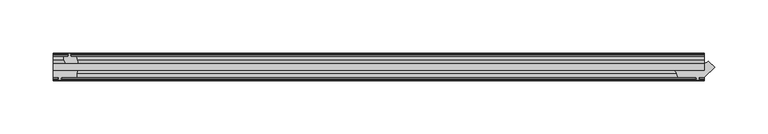
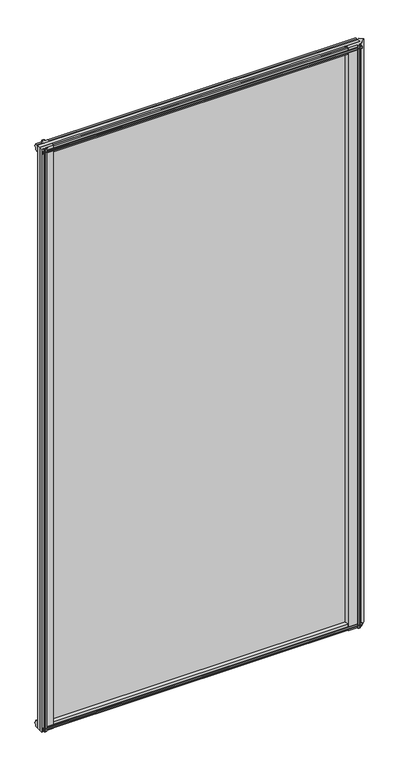
"""IFC4 building model written with IfcOpenShell, lengths in millimetres: plate geometry."""

from ifc_helpers import new_model, si_unit, point, frame, frame_2d, origin, place, context, project, spatial, polyline, circle_curve, trimmed, segment, composite_curve, outline, extrude, source, transform, mapped, element, save


def plate_9376add6(model_context):
    return source(origin(), model_context, "Body", "SweptSolid", [
        extrude(outline(polyline([(-311.15, -19.5460937), (301.7242188, -19.5460937), (301.7242188, -25.8960937), (-311.15, -25.8960937), (-311.15, -19.5460937)])), frame((0.0, 0.0, -12.7), z_axis=(0.0, 0.0, 1.0), x_axis=(1.0, 0.0, 0.0)), (0.0, 0.0, 1.0), 1181.1),
        extrude(outline(composite_curve([segment(trimmed(circle_curve(frame_2d((299.1576023, -10.7286961)), 9.1800971), [point((301.7125348, -19.5460938))], [point((305.6489112, -17.2200049))], True, "CARTESIAN"), True, "CONTINUOUS"), segment(polyline([(305.6489112, -17.2200049), (311.6947439, -23.2658376), (301.7125348, -32.2460938), (296.6325348, -32.2460938), (296.3150348, -34.3506957), (297.5336406, -34.0241712), (297.7374348, -34.7847412), (295.3625348, -35.4210938), (292.9876348, -34.7847412), (293.1914289, -34.0241712), (294.4100348, -34.3506957), (294.0925348, -32.2460938), (276.6935348, -32.2460937)]), True, "CONTINUOUS"), segment(trimmed(circle_curve(frame_2d((268.8651173, -32.4967335)), 7.8324288), [point((276.6935348, -32.2460937))], [point((273.0815726, -25.8960938))], True, "CARTESIAN"), True, "CONTINUOUS"), segment(polyline([(273.0815726, -25.8960938), (301.7125348, -25.8960938), (301.7125348, -19.5460938)]), True, "CONTINUOUS")], self_intersect=False)), frame((0.0, 0.0, -12.7), z_axis=(0.0, 0.0, 1.0), x_axis=(1.0, 0.0, 0.0)), (0.0, 0.0, 1.0), 1181.1),
        extrude(outline(composite_curve([segment(polyline([(-311.1542854, -32.2460937), (-311.1542854, -25.8960937), (-287.8322351, -25.8960937)]), True, "CONTINUOUS"), segment(trimmed(circle_curve(frame_2d((-280.043449, -30.5054843)), 9.0505066), [point((-287.8322351, -25.8960937))], [point((-288.925, -32.2460937))], True, "CARTESIAN"), True, "CONTINUOUS"), segment(polyline([(-288.925, -32.2460937), (-303.5342854, -32.2460937), (-303.8517854, -34.3506957), (-302.6331795, -34.0241712), (-302.4293854, -34.7847412), (-304.8042854, -35.4210937), (-307.1791854, -34.7847412), (-306.9753913, -34.0241712), (-305.7567854, -34.3506957), (-306.0742854, -32.2460937), (-311.1542854, -32.2460937)]), True, "CONTINUOUS")], self_intersect=False)), frame((0.0, 0.0, -12.7), z_axis=(0.0, 0.0, 1.0), x_axis=(1.0, 0.0, 0.0)), (0.0, 0.0, 1.0), 1181.1),
        extrude(outline(polyline([(-296.5577, -10.8158968), (-297.973229, -11.27583), (-297.973229, -10.4746158), (-295.7957, -9.7670937), (-293.6181709, -10.4746158), (-293.6181709, -11.27583), (-295.0337, -10.8158968), (-294.6527, -13.1960937), (-289.4457, -13.1960937), (-287.3404229, -19.5460937), (-299.1710038, -19.5460937), (-301.3837, -16.1424937), (-301.3837, -13.1960937), (-296.9387, -13.1960937), (-296.5577, -10.8158968)])), frame((0.0, 0.0, -12.7), z_axis=(0.0, 0.0, 1.0), x_axis=(1.0, 0.0, 0.0)), (0.0, 0.0, 1.0), 1181.1),
        extrude(outline(polyline([(-13.1960937, 1168.1587), (-13.1960937, 1163.7137), (-10.8158968, 1163.3327), (-11.27583, 1164.7482291), (-10.4746158, 1164.7482291), (-9.7670937, 1162.5707), (-10.4746158, 1160.393171), (-11.27583, 1160.393171), (-10.8158968, 1161.8087), (-13.1960937, 1161.4277), (-13.1960937, 1156.2207), (-19.5460937, 1154.115423), (-19.5460937, 1165.9460038), (-16.1424937, 1168.1587), (-13.1960937, 1168.1587)])), frame((-311.15, 0.0, 0.0), z_axis=(1.0, 0.0, 0.0), x_axis=(0.0, 1.0, 0.0)), (0.0, 0.0, 1.0), 612.8742188),
        extrude(outline(polyline([(-29.2996937, 1167.638), (-25.8960937, 1165.4253038), (-25.8960937, 1153.594723), (-32.2460937, 1155.7), (-32.2460937, 1160.907), (-34.6262907, 1161.288), (-34.1663575, 1159.872471), (-34.9675717, 1159.872471), (-35.6750937, 1162.05), (-34.9675717, 1164.2275291), (-34.1663575, 1164.2275291), (-34.6262907, 1162.812), (-32.2460937, 1163.193), (-32.2460937, 1167.638), (-29.2996937, 1167.638)])), frame((-311.15, 0.0, 0.0), z_axis=(1.0, 0.0, 0.0), x_axis=(0.0, 1.0, 0.0)), (0.0, 0.0, 1.0), 612.8742188),
        extrude(outline(polyline([(-25.8960937, 2.1052771), (-25.8960937, -9.7253038), (-29.2996937, -11.938), (-32.2460937, -11.938), (-32.2460937, -7.493), (-34.6262907, -7.112), (-34.1663575, -8.5275291), (-34.9675717, -8.5275291), (-35.6750937, -6.35), (-34.9675717, -4.1724709), (-34.1663575, -4.1724709), (-34.6262907, -5.588), (-32.2460937, -5.207), (-32.2460937, 0.0), (-25.8960937, 2.1052771)])), frame((-311.15, 0.0, 0.0), z_axis=(1.0, 0.0, 0.0), x_axis=(0.0, 1.0, 0.0)), (0.0, 0.0, 1.0), 612.8742188),
        extrude(outline(polyline([(-19.5460937, 1.5845771), (-13.1960937, -0.5207), (-13.1960937, -5.7277), (-10.8158968, -6.1087), (-11.27583, -4.6931709), (-10.4746158, -4.6931709), (-9.7670937, -6.8707), (-10.4746158, -9.048229), (-11.27583, -9.048229), (-10.8158968, -7.6327), (-13.1960937, -8.0137), (-13.1960937, -12.4587), (-16.1424937, -12.4587), (-19.5460937, -10.2460038), (-19.5460937, 1.5845771)])), frame((-311.15, 0.0, 0.0), z_axis=(1.0, 0.0, 0.0), x_axis=(0.0, 1.0, 0.0)), (0.0, 0.0, 1.0), 612.8742188),
    ])


if __name__ == "__main__":
    model = new_model("IFC4")
    model_context = context("Model", 3, world=origin())
    ifc_project = project(units=[si_unit("LENGTHUNIT", "METRE", prefix="MILLI")], contexts=[model_context])
    site = spatial("IfcSite", under=ifc_project)
    building = spatial("IfcBuilding", under=site)
    placement = place(None, origin())
    plate_shape = plate_9376add6(model_context)
    element("IfcPlate", 1, at=placement, inside=building, context=model_context, shape_type="MappedRepresentation", body=[
        mapped(plate_shape, transform((0.0, 0.0, 0.0), x_axis=(1.0, 0.0, 0.0), y_axis=(0.0, 1.0, 0.0), z_axis=(0.0, 0.0, 1.0))),
    ])
    save(model, "model.ifc")
